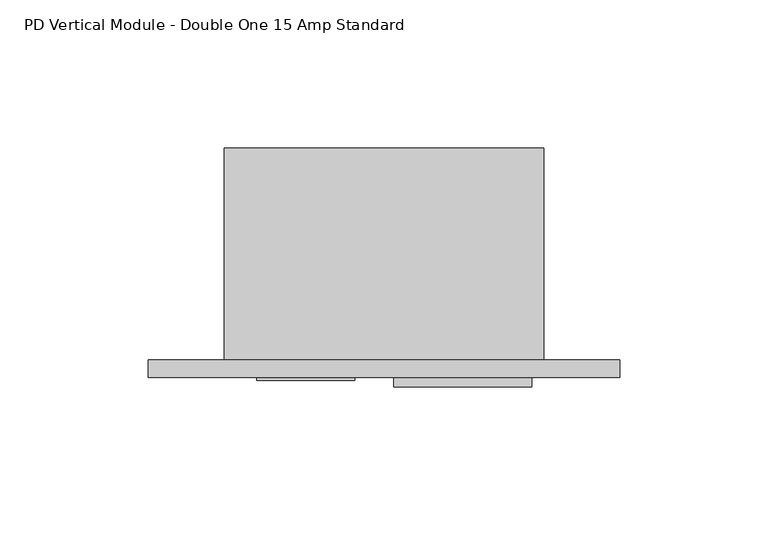
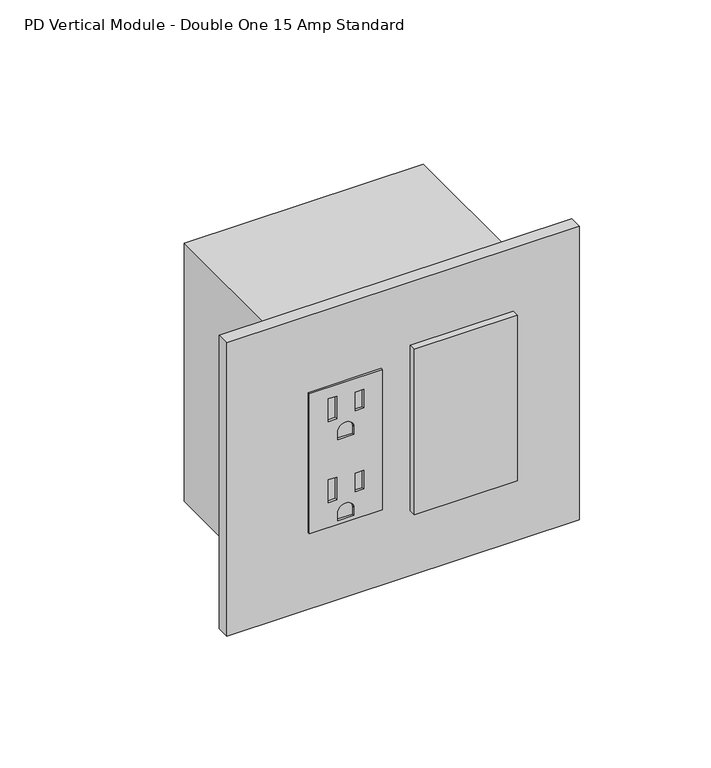
"""IFC4 building model written with IfcOpenShell, lengths in millimetres: proxy geometry, PD Vertical Module - Double One 15 Amp Standard."""

import ifcopenshell
import ifcopenshell.guid

model = None  # the IFC model being written
_history = None  # IfcOwnerHistory: only IFC2X3 demands one
_inside = {}  # id of a spatial element -> (the spatial element, [elements in it])
_under = {}  # id of a project, library or spatial element -> (it, [spatial elements below it])
_declared = {}  # id of a project -> (the project, [libraries it declares])
_typed = {}  # id of a type object -> (the type object, [elements of that type])
_made_of = {}  # id of a material, layer set ... -> (it, [elements and type objects made of it])


def new_model(schema):
    """Start an empty IFC model of exactly this schema.

    Asked for "IFC4X3", IfcOpenShell would pick the latest addendum, in which some entities
    have other attributes; the version numbers below select the first issue.
    IFC2X3 requires an IfcOwnerHistory on every rooted entity: one is made here for all.
    """
    global model, _history
    if schema == "IFC4X3":
        model = ifcopenshell.file(schema_version=(4, 3, 0, 0))
    else:
        model = ifcopenshell.file(schema=schema)
    _inside.clear()
    _under.clear()
    _declared.clear()
    _typed.clear()
    _made_of.clear()
    _history = None
    if model.schema == "IFC2X3":
        org = make("IfcOrganization", Name="unknown")
        user = make(
            "IfcPersonAndOrganization",
            ThePerson=make("IfcPerson", FamilyName="unknown"),
            TheOrganization=org,
        )
        app = make(
            "IfcApplication",
            ApplicationDeveloper=org,
            Version="unknown",
            ApplicationFullName="unknown",
            ApplicationIdentifier="unknown",
        )
        _history = make(
            "IfcOwnerHistory",
            OwningUser=user,
            OwningApplication=app,
            ChangeAction="ADDED",
            CreationDate=0,
        )
    return model


def make(cls, **values):
    """One entity of the class cls with the attributes given. An attribute that is None is left unset."""
    return model.create_entity(
        cls, **{name: value for name, value in values.items() if value is not None}
    )


def rooted(cls, **values):
    """An entity with a GlobalId (a new one), such as an element, a storey or a relation."""
    return make(cls, GlobalId=ifcopenshell.guid.new(), OwnerHistory=_history, **values)


def si_unit(unit_type, name, prefix=None):
    """IfcSIUnit, for example si_unit("LENGTHUNIT", "METRE", prefix="MILLI")."""
    return make("IfcSIUnit", UnitType=unit_type, Prefix=prefix, Name=name)


def assignment(units):
    """IfcUnitAssignment: the units of a project."""
    return None if units is None else make("IfcUnitAssignment", Units=units)


def point(xyz):
    """IfcCartesianPoint."""
    return None if xyz is None else make("IfcCartesianPoint", Coordinates=xyz)


def direction(xyz):
    """IfcDirection."""
    return None if xyz is None else make("IfcDirection", DirectionRatios=xyz)


def frame(location, z_axis=None, x_axis=None):
    """IfcAxis2Placement3D, a coordinate frame: its origin and axes. An axis left out is left unset."""
    return make(
        "IfcAxis2Placement3D",
        Location=point(location),
        Axis=direction(z_axis),
        RefDirection=direction(x_axis),
    )


def frame_2d(location, x_axis=None):
    """IfcAxis2Placement2D, a coordinate frame in the plane: its origin and x axis."""
    return make(
        "IfcAxis2Placement2D", Location=point(location), RefDirection=direction(x_axis)
    )


def origin():
    """The frame at (0, 0, 0) with its axes left unset."""
    return frame((0.0, 0.0, 0.0))


def place(relative_to, where):
    """IfcLocalPlacement: puts the frame where relative to a parent placement (None: the world)."""
    return make(
        "IfcLocalPlacement", PlacementRelTo=relative_to, RelativePlacement=where
    )


def context(
    kind, dimensions, precision=None, world=None, true_north=None, identifier=None
):
    """IfcGeometricRepresentationContext, for example the 3D "Model" context."""
    return make(
        "IfcGeometricRepresentationContext",
        ContextIdentifier=identifier,
        ContextType=kind,
        CoordinateSpaceDimension=dimensions,
        Precision=precision,
        WorldCoordinateSystem=world,
        TrueNorth=true_north,
    )


def project(units=None, contexts=None):
    """IfcProject with its units and contexts."""
    return rooted(
        "IfcProject",
        Name="project",
        RepresentationContexts=contexts,
        UnitsInContext=assignment(units),
    )


def spatial(cls, under=None, at=None, **own):
    """A site, building, storey or space (cls), placed at a placement, below another one or the project."""
    s = rooted(cls, ObjectPlacement=at, **own)
    if under is not None:
        _under.setdefault(under.id(), (under, []))[1].append(s)
    return s


def polyline(points):
    """IfcPolyline through the points."""
    return make("IfcPolyline", Points=[point(p) for p in points])


def circle_curve(where, radius):
    """IfcCircle in the frame where."""
    return make("IfcCircle", Position=where, Radius=radius)


def trimmed(basis, trim1, trim2, sense, master):
    """IfcTrimmedCurve: the piece of a basis curve between two trims."""
    return make(
        "IfcTrimmedCurve",
        BasisCurve=basis,
        Trim1=trim1,
        Trim2=trim2,
        SenseAgreement=sense,
        MasterRepresentation=master,
    )


def segment(curve, same_sense, transition):
    """IfcCompositeCurveSegment."""
    return make(
        "IfcCompositeCurveSegment",
        Transition=transition,
        SameSense=same_sense,
        ParentCurve=curve,
    )


def composite_curve(segments, self_intersect=None):
    """IfcCompositeCurve: segments joined end to end."""
    return make("IfcCompositeCurve", Segments=segments, SelfIntersect=self_intersect)


def outline(outer, holes=None, kind="AREA"):
    """IfcArbitraryClosedProfileDef: a profile drawn as a closed curve; with holes, ...WithVoids."""
    if holes is None:
        return make("IfcArbitraryClosedProfileDef", ProfileType=kind, OuterCurve=outer)
    return make(
        "IfcArbitraryProfileDefWithVoids",
        ProfileType=kind,
        OuterCurve=outer,
        InnerCurves=holes,
    )


def extrude(swept, where, along, depth):
    """IfcExtrudedAreaSolid: the profile swept, set in the frame where, extruded along a direction by depth."""
    return make(
        "IfcExtrudedAreaSolid",
        SweptArea=swept,
        Position=where,
        ExtrudedDirection=direction(along),
        Depth=depth,
    )


def shape(context_of_items, identifier, shape_type, items):
    """IfcShapeRepresentation: the items that make up one representation, for example the "Body"."""
    return make(
        "IfcShapeRepresentation",
        ContextOfItems=context_of_items,
        RepresentationIdentifier=identifier,
        RepresentationType=shape_type,
        Items=items,
    )


def source(mapping_origin, context_of_items, identifier, shape_type, items):
    """IfcRepresentationMap: a shape defined once, which mapped items show again and again."""
    return make(
        "IfcRepresentationMap",
        MappingOrigin=mapping_origin,
        MappedRepresentation=shape(context_of_items, identifier, shape_type, items),
    )


def transform(
    local_origin,
    x_axis=None,
    y_axis=None,
    z_axis=None,
    scale=None,
    scale2=None,
    scale3=None,
    uniform=True,
):
    """IfcCartesianTransformationOperator3D, or its non-uniform kind. x_axis, y_axis, z_axis: its Axis1, 2, 3."""
    if uniform:
        return make(
            "IfcCartesianTransformationOperator3D",
            Axis1=direction(x_axis),
            Axis2=direction(y_axis),
            LocalOrigin=point(local_origin),
            Scale=scale,
            Axis3=direction(z_axis),
        )
    return make(
        "IfcCartesianTransformationOperator3DnonUniform",
        Axis1=direction(x_axis),
        Axis2=direction(y_axis),
        LocalOrigin=point(local_origin),
        Scale=scale,
        Axis3=direction(z_axis),
        Scale2=scale2,
        Scale3=scale3,
    )


def mapped(mapping_source, mapping_target):
    """IfcMappedItem: shows the shape of a source again, moved by a transform."""
    return make(
        "IfcMappedItem", MappingSource=mapping_source, MappingTarget=mapping_target
    )


def made_of(thing, what):
    """Note that an element or type object is made of a material, layer set ...; save() writes the relation."""
    if what is not None:
        _made_of.setdefault(what.id(), (what, []))[1].append(thing)
    return thing


def element(
    cls,
    number,
    at=None,
    inside=None,
    cuts=None,
    type_object=None,
    material=None,
    context=None,
    identifier="Body",
    shape_type=None,
    held_by="IfcProductDefinitionShape",
    body=None,
    shapes=None,
    **own,
):
    """One element of the class cls, such as IfcWall. Its Tag is "e" and its number.

    at: its placement. inside: the storey or other place that contains it. cuts: it is an
    opening in that element (IfcRelVoidsElement). A single representation is given by context,
    identifier, shape_type and body (its items); several are given by shapes. held_by: the class
    of the entity that holds the representations. save() writes the other relations.
    """
    e = rooted(cls, Tag="e%d" % number, ObjectPlacement=at, **own)
    if body is not None:
        shapes = [shape(context, identifier, shape_type, body)]
    if shapes is not None:
        e.Representation = make(held_by, Representations=shapes)
    if inside is not None:
        _inside.setdefault(inside.id(), (inside, []))[1].append(e)
    if cuts is not None:
        rooted(
            "IfcRelVoidsElement", RelatingBuildingElement=cuts, RelatedOpeningElement=e
        )
    if type_object is not None:
        _typed.setdefault(type_object.id(), (type_object, []))[1].append(e)
    return made_of(e, material)


def aggregate(whole, parts):
    """IfcRelAggregates: a whole, such as a stair, and the parts it consists of."""
    return rooted("IfcRelAggregates", RelatingObject=whole, RelatedObjects=parts)


def save(model, path):
    """Write the relations noted so far, then the file.

    IfcRelAggregates (storeys below a building ...), IfcRelContainedInSpatialStructure (elements
    in a storey), IfcRelDefinesByType, IfcRelAssociatesMaterial and IfcRelDeclares: one each for
    every whole, place, type object, material and project.
    """
    for whole, parts in _under.values():
        aggregate(whole, parts)
    for where, things in _inside.values():
        rooted(
            "IfcRelContainedInSpatialStructure",
            RelatedElements=things,
            RelatingStructure=where,
        )
    for kind, things in _typed.values():
        rooted("IfcRelDefinesByType", RelatedObjects=things, RelatingType=kind)
    for what, things in _made_of.values():
        rooted("IfcRelAssociatesMaterial", RelatedObjects=things, RelatingMaterial=what)
    for by, libraries in _declared.values():
        rooted("IfcRelDeclares", RelatingContext=by, RelatedDefinitions=libraries)
    model.write(path)


def pd_vertical_module_double_one_15_amp_standard_e69900ea(model_context):
    return source(origin(), model_context, "Body", "SweptSolid", [
        extrude(outline(polyline([(490.5876229, 44.0944), (490.5876229, 11.0998), (423.6332229, 11.0998), (423.6332229, 44.0944), (490.5876229, 44.0944)]), holes=[polyline([(485.2028229, 23.4442), (474.3824229, 23.4442), (474.3824229, 19.6088), (485.2028229, 19.6088), (485.2028229, 23.4442)]), polyline([(484.2249229, 35.6108), (475.3603229, 35.6108), (475.3603229, 31.7754), (484.2249229, 31.7754), (484.2249229, 35.6108)]), composite_curve([segment(polyline([(464.1970229, 31.2293), (464.1970229, 23.9649), (467.8292229, 23.9649)]), True, "CONTINUOUS"), segment(trimmed(circle_curve(frame_2d((467.8292229, 27.5971)), 3.6322), [point((467.8292229, 23.9649))], [point((467.8292229, 31.2293))], True, "CARTESIAN"), True, "CONTINUOUS"), segment(polyline([(467.8292229, 31.2293), (464.1970229, 31.2293)]), True, "CONTINUOUS")], self_intersect=False), polyline([(446.4678229, 23.4442), (435.6474229, 23.4442), (435.6474229, 19.6088), (446.4678229, 19.6088), (446.4678229, 23.4442)]), polyline([(445.4899229, 35.6108), (436.6253229, 35.6108), (436.6253229, 31.7754), (445.4899229, 31.7754), (445.4899229, 35.6108)]), composite_curve([segment(polyline([(425.4620229, 31.2293), (425.4620229, 23.9649), (429.0942229, 23.9649)]), True, "CONTINUOUS"), segment(trimmed(circle_curve(frame_2d((429.0942229, 27.5971)), 3.6322), [point((429.0942229, 23.9649))], [point((429.0942229, 31.2293))], True, "CARTESIAN"), True, "CONTINUOUS"), segment(polyline([(429.0942229, 31.2293), (425.4620229, 31.2293)]), True, "CONTINUOUS")], self_intersect=False)]), frame((0.0, -6.9294746, 0.0), z_axis=(0.0, 1.0, 0.0), x_axis=(0.0, 0.0, 1.0)), (0.0, 0.0, 1.0), 1.0366746),
        extrude(outline(polyline([(57.3278, -5.8928), (103.8606, -5.8928), (103.8606, -9.0678), (57.3278, -9.0678), (57.3278, -5.8928)])), frame((0.0, 0.0, 417.9026971), z_axis=(0.0, 0.0, 1.0), x_axis=(1.0, 0.0, 0.0)), (0.0, 0.0, 1.0), 79.0448),
        extrude(outline(polyline([(-25.6794, 0.0), (133.7056, 0.0), (133.7056, -5.8928), (-25.6794, -5.8928), (-25.6794, 0.0)])), frame((0.0, 0.0, 386.9302229), z_axis=(0.0, 0.0, 1.0), x_axis=(1.0, 0.0, 0.0)), (0.0, 0.0, 1.0), 140.3604),
        extrude(outline(polyline([(108.0262, 0.0), (0.0, 0.0), (0.0, 71.7296), (108.0262, 71.7296), (108.0262, 0.0)])), frame((0.0, 0.0, 395.3630229), z_axis=(0.0, 0.0, 1.0), x_axis=(1.0, 0.0, 0.0)), (0.0, 0.0, 1.0), 123.4948),
    ])


if __name__ == "__main__":
    model = new_model("IFC4")
    model_context = context("Model", 3, world=origin())
    ifc_project = project(units=[si_unit("LENGTHUNIT", "METRE", prefix="MILLI")], contexts=[model_context])
    site = spatial("IfcSite", under=ifc_project)
    building = spatial("IfcBuilding", under=site)
    placement = place(None, origin())
    pd_vertical_module_double_one_15_amp_standard_shape = pd_vertical_module_double_one_15_amp_standard_e69900ea(model_context)
    element("IfcBuildingElementProxy", 1, Name="PD Vertical Module - Double One 15 Amp Standard", ObjectType="PD Vertical Module - Double One 15 Amp Standard", at=placement, inside=building, context=model_context, shape_type="MappedRepresentation", body=[
        mapped(pd_vertical_module_double_one_15_amp_standard_shape, transform((0.0, 0.0, 0.0), x_axis=(1.0, 0.0, 0.0), y_axis=(0.0, 1.0, 0.0), z_axis=(0.0, 0.0, 1.0))),
    ])
    save(model, "model.ifc")
